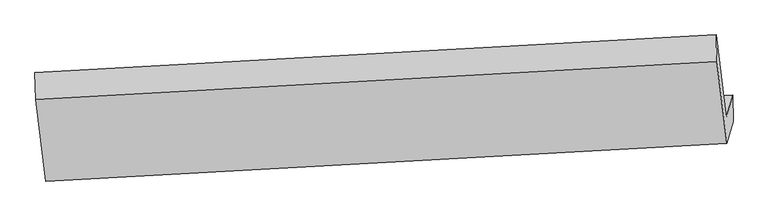
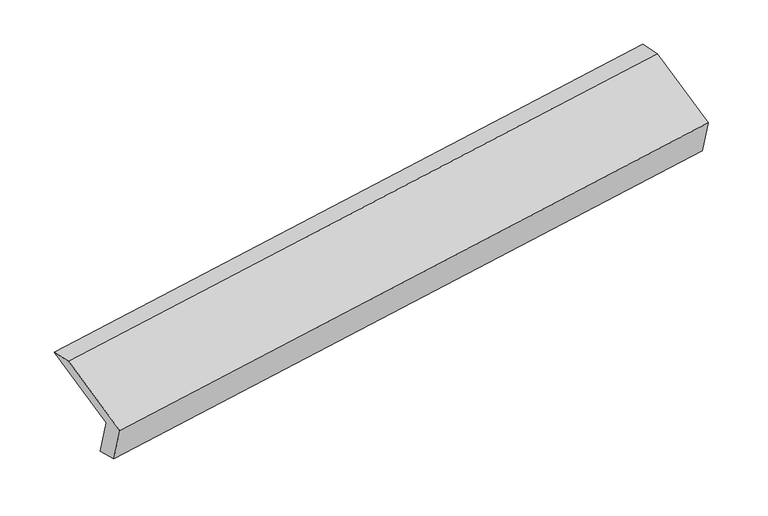
"""IFC4 building model written with IfcOpenShell, lengths in millimetres: proxy geometry."""

from ifc_helpers import new_model, si_unit, frame, origin, place, context, project, spatial, polyline, outline, extrude, source, transform, mapped, element, save


def generic_models_2f683b3a(model_context):
    return source(origin(), model_context, "Body", "SweptSolid", [
        extrude(outline(polyline([(-74.0231899, -143.0150839), (327.0118229, -143.0150839), (201.0348608, -297.2103113), (-190.000152, -297.2103113), (-190.000152, 358.1277816), (-74.0231899, 522.323009), (-74.0231899, -143.0150839)])), frame((-5343.9889833, -1643.4506269, 1549.7799937), z_axis=(0.9871623346435123, 0.05475790622086883, 0.1500403171400166), x_axis=(0.11438291849032457, 0.4132823481947355, -0.9033904187162276)), (0.0, 0.0, 1.0), 5030.5195664),
    ])


if __name__ == "__main__":
    model = new_model("IFC4")
    model_context = context("Model", 3, world=origin())
    ifc_project = project(units=[si_unit("LENGTHUNIT", "METRE", prefix="MILLI")], contexts=[model_context])
    site = spatial("IfcSite", under=ifc_project)
    building = spatial("IfcBuilding", under=site)
    placement = place(None, origin())
    generic_models_shape = generic_models_2f683b3a(model_context)
    element("IfcBuildingElementProxy", 1, Name="Generic Models", at=placement, inside=building, context=model_context, shape_type="MappedRepresentation", body=[
        mapped(generic_models_shape, transform((0.0, 0.0, 0.0), x_axis=(1.0, 0.0, 0.0), y_axis=(0.0, 1.0, 0.0), z_axis=(0.0, 0.0, 1.0))),
    ])
    save(model, "model.ifc")
